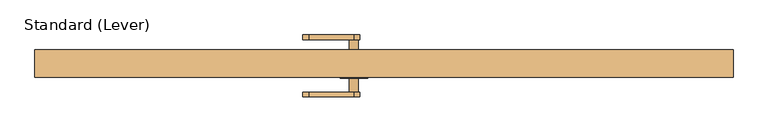
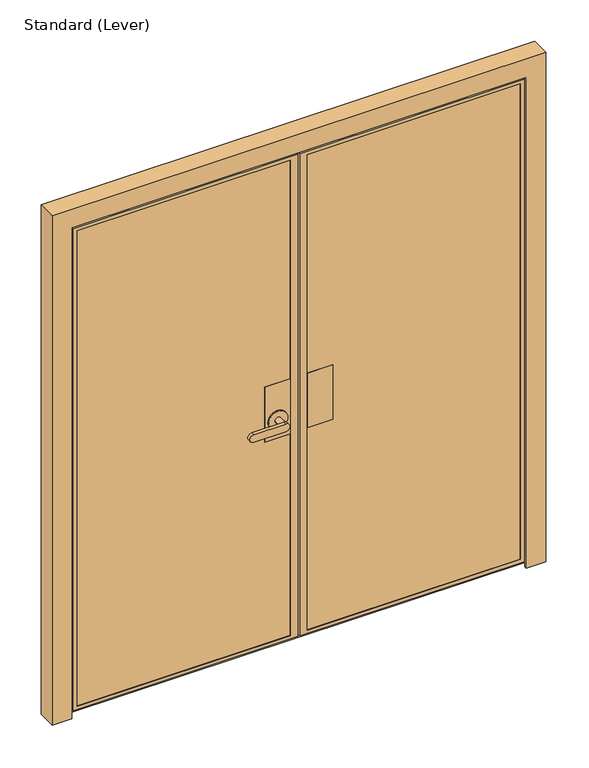
"""IFC4 building model written with IfcOpenShell, lengths in millimetres: door geometry, Standard (Lever)."""

from ifc_helpers import new_model, si_unit, frame, origin, place, context, project, spatial, polyline, circle_curve, outline, extrude, faceted_brep, source, transform, mapped, element, save
from ifc_brep_helpers import plane_surface, cylinder_surface, advanced_brep


def standard_lever_e9a9775c(model_context):
    return source(origin(), model_context, "Body", "SolidModel", [
        extrude(outline(polyline([(-282.575, 11.90625), (-180.975, 11.90625), (-180.975, -24.60625), (-282.575, -24.60625), (-282.575, 11.90625)])), frame((0.0, 0.0, 889.0), z_axis=(0.0, 0.0, 1.0), x_axis=(1.0, 0.0, 0.0)), (0.0, 0.0, 1.0), 228.6),
        extrude(outline(polyline([(-282.575, -34.13125), (-180.975, -34.13125), (-180.975, -35.71875), (-282.575, -35.71875), (-282.575, -34.13125)])), frame((0.0, 0.0, 889.0), z_axis=(0.0, 0.0, 1.0), x_axis=(1.0, 0.0, 0.0)), (0.0, 0.0, 1.0), 228.6),
        extrude(outline(polyline([(-282.575, 23.01875), (-180.975, 23.01875), (-180.975, 21.43125), (-282.575, 21.43125), (-282.575, 23.01875)])), frame((0.0, 0.0, 889.0), z_axis=(0.0, 0.0, 1.0), x_axis=(1.0, 0.0, 0.0)), (0.0, 0.0, 1.0), 228.6),
        faceted_brep([(-349.25, 11.90625, 1117.6), (-450.85, 11.90625, 1117.6), (-450.85, -24.60625, 1117.6), (-349.25, -24.60625, 1117.6), (-349.25, 11.90625, 889.0), (-349.25, -24.60625, 889.0), (-450.85, -24.60625, 889.0), (-450.85, 11.90625, 889.0)], [[[0, 1, 2, 3]], [[4, 5, 6, 7]], [[3, 5, 4, 0]], [[2, 6, 5, 3]], [[1, 7, 6, 2]], [[0, 4, 7, 1]]]),
        advanced_brep(
        [(-349.25, -34.13125, 1117.6), (-450.85, -34.13125, 1117.6), (-450.85, -35.71875, 1117.6), (-349.25, -35.71875, 1117.6), (-349.25, -34.13125, 889.0), (-349.25, -35.71875, 889.0), (-450.85, -35.71875, 889.0), (-450.85, -34.13125, 889.0), (-438.15, -35.71875, 965.2), (-361.95, -35.71875, 965.2), (-361.95, -40.48125, 965.2), (-438.15, -40.48125, 965.2), (-412.75, -40.48125, 965.2), (-387.35, -40.48125, 965.2), (-387.35, -80.16875, 965.2), (-412.75, -80.16875, 965.2), (-527.05, -92.86875, 949.325), (-400.05, -92.86875, 949.325), (-400.05, -92.86875, 981.075), (-527.05, -92.86875, 981.075), (-527.05, -80.16875, 949.325), (-527.05, -80.16875, 981.075), (-400.05, -80.16875, 981.075), (-400.05, -80.16875, 949.325)],
        [
            (0, 1),
            (1, 2),
            (2, 3),
            (3, 0),
            (4, 5),
            (5, 6),
            (6, 7),
            (7, 4),
            (3, 5),
            (4, 0),
            (2, 6),
            (8, 9, circle_curve(frame((-400.05, -35.71875, 965.2), z_axis=(0.0, 1.0, 0.0), x_axis=(-1.0, 0.0, 0.0)), 38.1)),
            (9, 8, circle_curve(frame((-400.05, -35.71875, 965.2), z_axis=(0.0, 1.0, 0.0), x_axis=(-1.0, 0.0, 0.0)), 38.1)),
            (1, 7),
            (10, 11, circle_curve(frame((-400.05, -40.48125, 965.2), z_axis=(0.0, -1.0, 0.0), x_axis=(-1.0, 0.0, 0.0)), 38.1)),
            (11, 10, circle_curve(frame((-400.05, -40.48125, 965.2), z_axis=(0.0, -1.0, 0.0), x_axis=(-1.0, 0.0, 0.0)), 38.1)),
            (12, 13, circle_curve(frame((-400.05, -40.48125, 965.2), z_axis=(0.0, 1.0, 0.0), x_axis=(-1.0, 0.0, 0.0)), 12.7)),
            (13, 12, circle_curve(frame((-400.05, -40.48125, 965.2), z_axis=(0.0, 1.0, 0.0), x_axis=(-1.0, 0.0, 0.0)), 12.7)),
            (11, 8),
            (9, 10),
            (14, 15, circle_curve(frame((-400.05, -80.16875, 965.2), z_axis=(0.0, 1.0, 0.0), x_axis=(-1.0, 0.0, 0.0)), 12.7)),
            (15, 12),
            (13, 14),
            (15, 14, circle_curve(frame((-400.05, -80.16875, 965.2), z_axis=(0.0, 1.0, 0.0), x_axis=(-1.0, 0.0, 0.0)), 12.7)),
            (16, 17),
            (17, 18, circle_curve(frame((-400.05, -92.86875, 965.2), z_axis=(0.0, -1.0, 0.0), x_axis=(-1.0, 0.0, 0.0)), 15.875)),
            (18, 19),
            (19, 16, circle_curve(frame((-527.05, -92.86875, 965.2), z_axis=(0.0, -1.0, 0.0), x_axis=(-1.0, 0.0, 0.0)), 15.875)),
            (20, 21, circle_curve(frame((-527.05, -80.16875, 965.2), z_axis=(0.0, 1.0, 0.0), x_axis=(-1.0, 0.0, 0.0)), 15.875)),
            (21, 22),
            (22, 23, circle_curve(frame((-400.05, -80.16875, 965.2), z_axis=(0.0, 1.0, 0.0), x_axis=(-1.0, 0.0, 0.0)), 15.875)),
            (23, 20),
            (19, 21),
            (20, 16),
            (18, 22),
            (17, 23),
        ],
        [
            plane_surface(frame((-349.25, 23.01875, 1117.6), z_axis=(0.0, 0.0, 1.0), x_axis=(0.0, -1.0, 0.0))),
            plane_surface(frame((-349.25, 23.01875, 889.0), z_axis=(0.0, 0.0, -1.0), x_axis=(0.0, 1.0, 0.0))),
            plane_surface(frame((-349.25, -34.13125, 1117.6), z_axis=(1.0, 0.0, 0.0), x_axis=(0.0, 0.0, -1.0))),
            plane_surface(frame((-349.25, -35.71875, 1117.6), z_axis=(0.0, -1.0, 0.0), x_axis=(0.0, 0.0, -1.0))),
            plane_surface(frame((-450.85, -35.71875, 1117.6), z_axis=(-1.0, 0.0, 0.0), x_axis=(0.0, 0.0, -1.0))),
            plane_surface(frame((-450.85, -34.13125, 1117.6), z_axis=(0.0, 1.0, 0.0), x_axis=(0.0, 0.0, -1.0))),
            plane_surface(frame((-438.15, -40.48125, 965.2), z_axis=(0.0, -1.0, 0.0), x_axis=(0.0, 0.0, 1.0))),
            cylinder_surface(frame((-400.05, -35.71875, 965.2), z_axis=(0.0, -1.0, 0.0), x_axis=(-1.0, 0.0, 0.0)), 38.1),
            cylinder_surface(frame((-400.05, -35.71875, 965.2), z_axis=(0.0, -1.0, 0.0), x_axis=(-1.0, 0.0, 0.0)), 12.7),
            plane_surface(frame((-542.925, -92.86875, 965.2), z_axis=(0.0, -1.0, 0.0), x_axis=(0.0, 0.0, 1.0))),
            plane_surface(frame((-542.925, -80.16875, 965.2), z_axis=(0.0, 1.0, 0.0), x_axis=(0.0, 0.0, -1.0))),
            cylinder_surface(frame((-527.05, -80.16875, 965.2), z_axis=(0.0, -1.0, 0.0), x_axis=(-1.0, 0.0, 0.0)), 15.875),
            plane_surface(frame((-527.05, -92.86875, 981.075), z_axis=(0.0, 0.0, 1.0), x_axis=(0.0, 1.0, 0.0))),
            cylinder_surface(frame((-400.05, -80.16875, 965.2), z_axis=(0.0, -1.0, 0.0), x_axis=(-1.0, 0.0, 0.0)), 15.875),
            plane_surface(frame((-400.05, -92.86875, 949.325), z_axis=(0.0, 0.0, -1.0), x_axis=(0.0, 1.0, 0.0))),
        ],
        [
            (0, [[1, 2, 3, 4]]),
            (1, [[5, 6, 7, 8]]),
            (2, [[9, -5, 10, -4]]),
            (3, [[11, -6, -9, -3], [12, 13]]),
            (4, [[14, -7, -11, -2]]),
            (5, [[-10, -8, -14, -1]]),
            (6, [[15, 16], [17, 18]]),
            (7, [[19, -13, 20, -16]]),
            (7, [[-20, -12, -19, -15]]),
            (8, [[21, 22, -18, 23]]),
            (8, [[-17, -22, 24, -23]]),
            (9, [[25, 26, 27, 28]]),
            (10, [[29, 30, 31, 32], [-24, -21]]),
            (11, [[33, -29, 34, -28]]),
            (12, [[35, -30, -33, -27]]),
            (13, [[36, -31, -35, -26]]),
            (14, [[-34, -32, -36, -25]]),
        ],
    ),
        advanced_brep(
        [(-349.25, 23.01875, 1117.6), (-450.787822, 23.01875, 1117.6), (-450.787822, 21.43125, 1117.6), (-349.25, 21.43125, 1117.6), (-349.25, 23.01875, 889.0), (-349.25, 21.43125, 889.0), (-450.787822, 21.43125, 889.0), (-450.787822, 23.01875, 889.0), (-387.35, 27.78125, 965.2), (-412.75, 27.78125, 965.2), (-412.75, 67.46875, 965.2), (-387.35, 67.46875, 965.2), (-361.95, 27.78125, 965.2), (-438.15, 27.78125, 965.2), (-361.95, 23.01875, 965.2), (-438.15, 23.01875, 965.2), (-400.05, 67.46875, 949.325), (-400.05, 67.46875, 981.075), (-527.05, 67.46875, 981.075), (-527.05, 67.46875, 949.325), (-400.05, 80.16875, 949.325), (-527.05, 80.16875, 949.325), (-527.05, 80.16875, 981.075), (-400.05, 80.16875, 981.075)],
        [
            (0, 1),
            (1, 2),
            (2, 3),
            (3, 0),
            (4, 5),
            (5, 6),
            (6, 7),
            (7, 4),
            (8, 9, circle_curve(frame((-400.05, 27.78125, 965.2), z_axis=(0.0, 1.0, 0.0), x_axis=(-1.0, 0.0, 0.0)), 12.7)),
            (9, 10),
            (10, 11, circle_curve(frame((-400.05, 67.46875, 965.2), z_axis=(0.0, -1.0, 0.0), x_axis=(-1.0, 0.0, 0.0)), 12.7)),
            (11, 8),
            (11, 10, circle_curve(frame((-400.05, 67.46875, 965.2), z_axis=(0.0, -1.0, 0.0), x_axis=(-1.0, 0.0, 0.0)), 12.7)),
            (9, 8, circle_curve(frame((-400.05, 27.78125, 965.2), z_axis=(0.0, 1.0, 0.0), x_axis=(-1.0, 0.0, 0.0)), 12.7)),
            (12, 13, circle_curve(frame((-400.05, 27.78125, 965.2), z_axis=(0.0, 1.0, 0.0), x_axis=(-1.0, 0.0, 0.0)), 38.1)),
            (13, 12, circle_curve(frame((-400.05, 27.78125, 965.2), z_axis=(0.0, 1.0, 0.0), x_axis=(-1.0, 0.0, 0.0)), 38.1)),
            (12, 14),
            (14, 15, circle_curve(frame((-400.05, 23.01875, 965.2), z_axis=(0.0, 1.0, 0.0), x_axis=(-1.0, 0.0, 0.0)), 38.1)),
            (15, 13),
            (15, 14, circle_curve(frame((-400.05, 23.01875, 965.2), z_axis=(0.0, 1.0, 0.0), x_axis=(-1.0, 0.0, 0.0)), 38.1)),
            (16, 17, circle_curve(frame((-400.05, 67.46875, 965.2), z_axis=(0.0, -1.0, 0.0), x_axis=(-1.0, 0.0, 0.0)), 15.875)),
            (17, 18),
            (18, 19, circle_curve(frame((-527.05, 67.46875, 965.2), z_axis=(0.0, -1.0, 0.0), x_axis=(-1.0, 0.0, 0.0)), 15.875)),
            (19, 16),
            (20, 21),
            (21, 22, circle_curve(frame((-527.05, 80.16875, 965.2), z_axis=(0.0, 1.0, 0.0), x_axis=(-1.0, 0.0, 0.0)), 15.875)),
            (22, 23),
            (23, 20, circle_curve(frame((-400.05, 80.16875, 965.2), z_axis=(0.0, 1.0, 0.0), x_axis=(-1.0, 0.0, 0.0)), 15.875)),
            (19, 21),
            (20, 16),
            (18, 22),
            (17, 23),
            (3, 5),
            (4, 0),
            (2, 6),
            (1, 7),
        ],
        [
            plane_surface(frame((-349.25, 23.01875, 1117.6), z_axis=(0.0, 0.0, 1.0), x_axis=(0.0, -1.0, 0.0))),
            plane_surface(frame((-349.25, 23.01875, 889.0), z_axis=(0.0, 0.0, -1.0), x_axis=(0.0, 1.0, 0.0))),
            cylinder_surface(frame((-400.05, 67.46875, 965.2), z_axis=(0.0, -1.0, 0.0), x_axis=(-1.0, 0.0, 0.0)), 12.7),
            plane_surface(frame((-438.15, 27.78125, 965.2), z_axis=(0.0, 1.0, 0.0), x_axis=(0.0, 0.0, -1.0))),
            cylinder_surface(frame((-400.05, 27.78125, 965.2), z_axis=(0.0, -1.0, 0.0), x_axis=(-1.0, 0.0, 0.0)), 38.1),
            plane_surface(frame((-400.05, 67.46875, 949.325), z_axis=(0.0, -1.0, 0.0), x_axis=(-1.0, 0.0, 0.0))),
            plane_surface(frame((-400.05, 80.16875, 949.325), z_axis=(0.0, 1.0, 0.0), x_axis=(1.0, 0.0, 0.0))),
            plane_surface(frame((-400.05, 67.46875, 949.325), z_axis=(0.0, 0.0, -1.0), x_axis=(0.0, 1.0, 0.0))),
            cylinder_surface(frame((-527.05, 80.16875, 965.2), z_axis=(0.0, -1.0, 0.0), x_axis=(-1.0, 0.0, 0.0)), 15.875),
            plane_surface(frame((-527.05, 67.46875, 981.075), z_axis=(0.0, 0.0, 1.0), x_axis=(0.0, 1.0, 0.0))),
            cylinder_surface(frame((-400.05, 80.16875, 965.2), z_axis=(0.0, -1.0, 0.0), x_axis=(-1.0, 0.0, 0.0)), 15.875),
            plane_surface(frame((-349.25, 23.01875, 1117.6), z_axis=(1.0, 0.0, 0.0), x_axis=(0.0, 0.0, -1.0))),
            plane_surface(frame((-349.25, 21.43125, 1117.6), z_axis=(0.0, -1.0, 0.0), x_axis=(0.0, 0.0, -1.0))),
            plane_surface(frame((-450.787822, 21.43125, 1117.6), z_axis=(-1.0, 0.0, 0.0), x_axis=(0.0, 0.0, -1.0))),
            plane_surface(frame((-450.787822, 23.01875, 1117.6), z_axis=(0.0, 1.0, 0.0), x_axis=(0.0, 0.0, -1.0))),
        ],
        [
            (0, [[1, 2, 3, 4]]),
            (1, [[5, 6, 7, 8]]),
            (2, [[9, 10, 11, 12]]),
            (2, [[13, -10, 14, -12]]),
            (3, [[15, 16], [-14, -9]]),
            (4, [[17, 18, 19, -15]]),
            (4, [[-19, 20, -17, -16]]),
            (5, [[21, 22, 23, 24], [-13, -11]]),
            (6, [[25, 26, 27, 28]]),
            (7, [[29, -25, 30, -24]]),
            (8, [[31, -26, -29, -23]]),
            (9, [[32, -27, -31, -22]]),
            (10, [[-30, -28, -32, -21]]),
            (11, [[33, -5, 34, -4]]),
            (12, [[35, -6, -33, -3]]),
            (13, [[36, -7, -35, -2]]),
            (14, [[-34, -8, -36, -1], [-20, -18]]),
        ],
    ),
        faceted_brep([(-1193.8, -24.60625, 2033.5875), (-1193.8, -24.60625, 42.8625), (-1193.8, 11.90625, 42.8625), (-1193.8, 11.90625, 2033.5875), (-1206.5, 11.90625, 30.1625), (-1206.5, 11.90625, 2046.2875), (-336.55, 11.90625, 2046.2875), (-336.55, 11.90625, 30.1625), (-349.25, 11.90625, 42.8625), (-349.25, 11.90625, 2033.5875), (-349.25, -24.60625, 42.8625), (-1206.5, -24.60625, 30.1625), (-336.55, -24.60625, 30.1625), (-336.55, -24.60625, 2046.2875), (-1206.5, -24.60625, 2046.2875), (-349.25, -24.60625, 2033.5875), (-1206.5, -34.13125, 2046.2875), (-1206.5, -34.13125, 30.1625), (-336.55, -34.13125, 30.1625), (-336.55, -34.13125, 2046.2875), (-1193.8, -34.13125, 42.8625), (-349.25, -34.13125, 42.8625), (-349.25, -34.13125, 2033.5875), (-1193.8, -34.13125, 2033.5875), (-1193.8, -35.71875, 2033.5875), (-1193.8, -35.71875, 42.8625), (-349.25, -35.71875, 42.8625), (-1208.0875, -35.71875, 28.575), (-319.0875, -35.71875, 28.575), (-319.0875, -35.71875, 2047.875), (-1208.0875, -35.71875, 2047.875), (-349.25, -35.71875, 2033.5875), (-1208.0875, -21.43125, 2047.875), (-1208.0875, -21.43125, 28.575), (-319.0875, -21.43125, 28.575), (-319.0875, -21.43125, 2047.875), (-319.0875, -21.43125, 2063.75), (-1223.9625, -21.43125, 2063.75), (-1223.9625, -21.43125, 12.7), (-319.0875, -21.43125, 12.7), (-1223.9625, 23.01875, 2063.75), (-1223.9625, 23.01875, 12.7), (-319.0875, 23.01875, 12.7), (-319.0875, 23.01875, 2063.75), (-349.25, 23.01875, 42.8625), (-349.25, 23.01875, 2033.5875), (-1193.8, 23.01875, 2033.5875), (-1193.8, 23.01875, 42.8625), (-1193.8, 21.43125, 42.8625), (-349.25, 21.43125, 42.8625), (-1193.8, 21.43125, 2033.5875), (-349.25, 21.43125, 2033.5875), (-336.55, 21.43125, 30.1625), (-336.55, 21.43125, 2046.2875), (-1206.5, 21.43125, 2046.2875), (-1206.5, 21.43125, 30.1625)], [[[0, 1, 2, 3]], [[4, 5, 6, 7], [2, 8, 9, 3]], [[1, 10, 8, 2]], [[11, 12, 13, 14], [0, 15, 10, 1]], [[16, 17, 11, 14]], [[17, 18, 12, 11]], [[16, 19, 18, 17], [20, 21, 22, 23]], [[24, 25, 20, 23]], [[25, 26, 21, 20]], [[27, 28, 29, 30], [24, 31, 26, 25]], [[32, 33, 27, 30]], [[33, 34, 28, 27]], [[32, 35, 36, 37, 38, 39, 34, 33]], [[40, 41, 38, 37]], [[41, 42, 39, 38]], [[40, 43, 42, 41], [44, 45, 46, 47]], [[9, 8, 10, 15]], [[13, 12, 18, 19]], [[22, 21, 26, 31]], [[36, 35, 29, 28, 34, 39, 42, 43]], [[47, 48, 49, 44]], [[46, 50, 48, 47]], [[44, 49, 51, 45]], [[52, 53, 54, 55], [48, 50, 51, 49]], [[55, 54, 5, 4]], [[4, 7, 52, 55]], [[7, 6, 53, 52]], [[3, 9, 15, 0]], [[14, 13, 19, 16]], [[23, 22, 31, 24]], [[30, 29, 35, 32]], [[37, 36, 43, 40]], [[45, 51, 50, 46]], [[6, 5, 54, 53]]]),
        faceted_brep([(-312.7375, -21.43125, 28.575), (576.2625, -21.43125, 28.575), (576.2625, -35.71875, 28.575), (-312.7375, -35.71875, 28.575), (-312.7375, -21.43125, 2047.875), (-312.7375, -21.43125, 2063.75), (-312.7375, 23.01875, 2063.75), (-312.7375, 23.01875, 12.7), (-312.7375, -21.43125, 12.7), (-312.7375, -35.71875, 2047.875), (576.2625, -35.71875, 2047.875), (561.975, -35.71875, 42.8625), (-282.575, -35.71875, 42.8625), (-282.575, -35.71875, 2033.5875), (561.975, -35.71875, 2033.5875), (576.2625, -21.43125, 2047.875), (592.1375, -21.43125, 2063.75), (592.1375, -21.43125, 12.7), (561.975, -34.13125, 2033.5875), (561.975, -34.13125, 42.8625), (-282.575, -34.13125, 42.8625), (-282.575, -34.13125, 2033.5875), (592.1375, 23.01875, 12.7), (592.1375, 23.01875, 2063.75), (561.975, 23.01875, 42.8625), (561.975, 23.01875, 2033.5875), (-282.575, 23.01875, 2033.5875), (-282.575, 23.01875, 42.8625), (574.675, -34.13125, 30.1625), (-295.275, -34.13125, 30.1625), (-295.275, -34.13125, 2046.2875), (574.675, -34.13125, 2046.2875), (574.675, -24.60625, 2046.2875), (574.675, -24.60625, 30.1625), (-295.275, -24.60625, 30.1625), (-295.275, -24.60625, 2046.2875), (561.975, -24.60625, 42.8625), (-282.575, -24.60625, 42.8625), (-282.575, -24.60625, 2033.5875), (561.975, -24.60625, 2033.5875), (561.975, 11.90625, 2033.5875), (561.975, 11.90625, 42.8625), (-282.575, 11.90625, 42.8625), (574.675, 11.90625, 30.1625), (-295.275, 11.90625, 30.1625), (-295.275, 11.90625, 2046.2875), (574.675, 11.90625, 2046.2875), (-282.575, 11.90625, 2033.5875), (-282.575, 21.43125, 42.8625), (561.975, 21.43125, 42.8625), (-282.575, 21.43125, 2033.5875), (561.975, 21.43125, 2033.5875), (574.675, 21.43125, 2046.2875), (574.675, 21.43125, 30.1625), (-295.275, 21.43125, 30.1625), (-295.275, 21.43125, 2046.2875)], [[[0, 1, 2, 3]], [[4, 5, 6, 7, 8, 0, 3, 9]], [[9, 3, 2, 10], [11, 12, 13, 14]], [[10, 2, 1, 15]], [[16, 5, 4, 15, 1, 0, 8, 17]], [[18, 19, 11, 14]], [[20, 21, 13, 12]], [[19, 20, 12, 11]], [[17, 8, 7, 22]], [[22, 7, 6, 23], [24, 25, 26, 27]], [[16, 17, 22, 23]], [[28, 29, 30, 31], [18, 21, 20, 19]], [[32, 33, 28, 31]], [[33, 34, 29, 28]], [[32, 35, 34, 33], [36, 37, 38, 39]], [[40, 41, 36, 39]], [[41, 42, 37, 36]], [[43, 44, 45, 46], [40, 47, 42, 41]], [[34, 35, 30, 29]], [[42, 47, 38, 37]], [[27, 48, 49, 24]], [[26, 50, 48, 27]], [[24, 49, 51, 25]], [[52, 53, 43, 46]], [[53, 54, 44, 43]], [[52, 55, 54, 53], [49, 48, 50, 51]], [[54, 55, 45, 44]], [[9, 10, 15, 4]], [[23, 6, 5, 16]], [[14, 13, 21, 18]], [[31, 30, 35, 32]], [[39, 38, 47, 40]], [[46, 45, 55, 52]], [[25, 51, 50, 26]]]),
        extrude(outline(polyline([(-295.275, -24.60625), (574.675, -24.60625), (574.675, -34.13125), (-295.275, -34.13125), (-295.275, -24.60625)])), frame((0.0, 0.0, 30.1625), z_axis=(0.0, 0.0, 1.0), x_axis=(1.0, 0.0, 0.0)), (0.0, 0.0, 1.0), 2016.125),
        extrude(outline(polyline([(-295.275, 11.90625), (-295.275, 21.43125), (574.675, 21.43125), (574.675, 11.90625), (-295.275, 11.90625)])), frame((0.0, 0.0, 30.1625), z_axis=(0.0, 0.0, 1.0), x_axis=(1.0, 0.0, 0.0)), (0.0, 0.0, 1.0), 2016.125),
        extrude(outline(polyline([(-336.55, -34.13125), (-1206.5, -34.13125), (-1206.5, -24.60625), (-336.55, -24.60625), (-336.55, -34.13125)])), frame((0.0, 0.0, 30.1625), z_axis=(0.0, 0.0, 1.0), x_axis=(1.0, 0.0, 0.0)), (0.0, 0.0, 1.0), 2016.125),
        extrude(outline(polyline([(-1206.5, 11.90625), (-1206.5, 21.43125), (-336.55, 21.43125), (-336.55, 11.90625), (-1206.5, 11.90625)])), frame((0.0, 0.0, 30.1625), z_axis=(0.0, 0.0, 1.0), x_axis=(1.0, 0.0, 0.0)), (0.0, 0.0, 1.0), 2016.125),
        faceted_brep([(598.4875, -26.9875, 0.0), (598.4875, 38.1, 0.0), (661.9875, 38.1, 0.0), (661.9875, -38.1, 0.0), (584.2, -38.1, 0.0), (584.2, -26.9875, 0.0), (584.2, -26.9875, 2055.8125), (-1216.025, -26.9875, 2055.8125), (-1216.025, -26.9875, 0.0), (-1230.3125, -26.9875, 0.0), (-1230.3125, -26.9875, 2070.1), (598.4875, -26.9875, 2070.1), (584.2, -38.1, 2055.8125), (661.9875, -38.1, 2133.6), (-1293.8125, -38.1, 2133.6), (-1293.8125, -38.1, 0.0), (-1216.025, -38.1, 0.0), (-1216.025, -38.1, 2055.8125), (661.9875, 38.1, 2133.6), (598.4875, 38.1, 2070.1), (-1230.3125, 38.1, 2070.1), (-1230.3125, 38.1, 0.0), (-1293.8125, 38.1, 0.0), (-1293.8125, 38.1, 2133.6)], [[[0, 1, 2, 3, 4, 5]], [[5, 6, 7, 8, 9, 10, 11, 0]], [[4, 12, 6, 5]], [[3, 13, 14, 15, 16, 17, 12, 4]], [[2, 18, 13, 3]], [[1, 19, 20, 21, 22, 23, 18, 2]], [[0, 11, 19, 1]], [[9, 8, 16, 15, 22, 21]], [[15, 14, 23, 22]], [[21, 20, 10, 9]], [[8, 7, 17, 16]], [[23, 14, 13, 18]], [[10, 20, 19, 11]], [[12, 17, 7, 6]]]),
    ])


if __name__ == "__main__":
    model = new_model("IFC4")
    model_context = context("Model", 3, world=origin())
    ifc_project = project(units=[si_unit("LENGTHUNIT", "METRE", prefix="MILLI")], contexts=[model_context])
    site = spatial("IfcSite", under=ifc_project)
    building = spatial("IfcBuilding", under=site)
    placement = place(None, origin())
    standard_lever_shape = standard_lever_e9a9775c(model_context)
    element("IfcDoor", 1, ObjectType="Standard (Lever)", at=placement, inside=building, context=model_context, shape_type="MappedRepresentation", body=[
        mapped(standard_lever_shape, transform((0.0, 0.0, 0.0), x_axis=(1.0, 0.0, 0.0), y_axis=(0.0, 1.0, 0.0), z_axis=(0.0, 0.0, 1.0))),
    ])
    save(model, "model.ifc")
